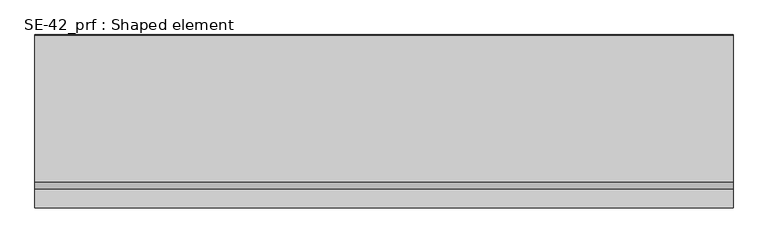
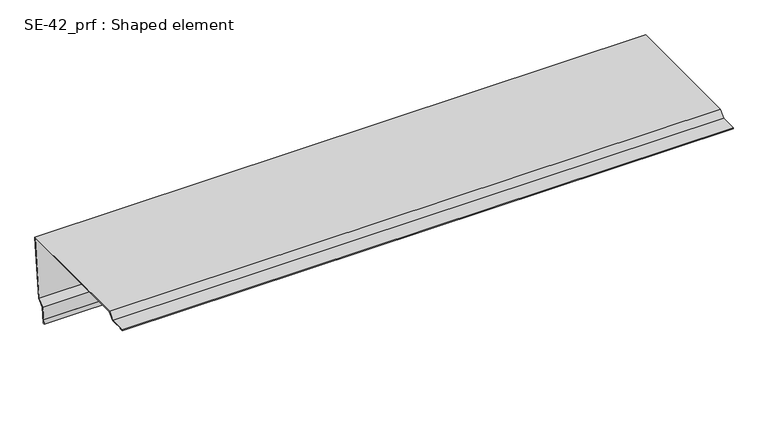
"""IFC4 building model written with IfcOpenShell, lengths in millimetres: proxy geometry, SE-42_prf : Shaped element."""

import ifcopenshell
import ifcopenshell.guid

model = None  # the IFC model being written
_history = None  # IfcOwnerHistory: only IFC2X3 demands one
_inside = {}  # id of a spatial element -> (the spatial element, [elements in it])
_under = {}  # id of a project, library or spatial element -> (it, [spatial elements below it])
_declared = {}  # id of a project -> (the project, [libraries it declares])
_typed = {}  # id of a type object -> (the type object, [elements of that type])
_made_of = {}  # id of a material, layer set ... -> (it, [elements and type objects made of it])


def new_model(schema):
    """Start an empty IFC model of exactly this schema.

    Asked for "IFC4X3", IfcOpenShell would pick the latest addendum, in which some entities
    have other attributes; the version numbers below select the first issue.
    IFC2X3 requires an IfcOwnerHistory on every rooted entity: one is made here for all.
    """
    global model, _history
    if schema == "IFC4X3":
        model = ifcopenshell.file(schema_version=(4, 3, 0, 0))
    else:
        model = ifcopenshell.file(schema=schema)
    _inside.clear()
    _under.clear()
    _declared.clear()
    _typed.clear()
    _made_of.clear()
    _history = None
    if model.schema == "IFC2X3":
        org = make("IfcOrganization", Name="unknown")
        user = make(
            "IfcPersonAndOrganization",
            ThePerson=make("IfcPerson", FamilyName="unknown"),
            TheOrganization=org,
        )
        app = make(
            "IfcApplication",
            ApplicationDeveloper=org,
            Version="unknown",
            ApplicationFullName="unknown",
            ApplicationIdentifier="unknown",
        )
        _history = make(
            "IfcOwnerHistory",
            OwningUser=user,
            OwningApplication=app,
            ChangeAction="ADDED",
            CreationDate=0,
        )
    return model


def make(cls, **values):
    """One entity of the class cls with the attributes given. An attribute that is None is left unset."""
    return model.create_entity(
        cls, **{name: value for name, value in values.items() if value is not None}
    )


def rooted(cls, **values):
    """An entity with a GlobalId (a new one), such as an element, a storey or a relation."""
    return make(cls, GlobalId=ifcopenshell.guid.new(), OwnerHistory=_history, **values)


def si_unit(unit_type, name, prefix=None):
    """IfcSIUnit, for example si_unit("LENGTHUNIT", "METRE", prefix="MILLI")."""
    return make("IfcSIUnit", UnitType=unit_type, Prefix=prefix, Name=name)


def assignment(units):
    """IfcUnitAssignment: the units of a project."""
    return None if units is None else make("IfcUnitAssignment", Units=units)


def point(xyz):
    """IfcCartesianPoint."""
    return None if xyz is None else make("IfcCartesianPoint", Coordinates=xyz)


def direction(xyz):
    """IfcDirection."""
    return None if xyz is None else make("IfcDirection", DirectionRatios=xyz)


def frame(location, z_axis=None, x_axis=None):
    """IfcAxis2Placement3D, a coordinate frame: its origin and axes. An axis left out is left unset."""
    return make(
        "IfcAxis2Placement3D",
        Location=point(location),
        Axis=direction(z_axis),
        RefDirection=direction(x_axis),
    )


def origin():
    """The frame at (0, 0, 0) with its axes left unset."""
    return frame((0.0, 0.0, 0.0))


def place(relative_to, where):
    """IfcLocalPlacement: puts the frame where relative to a parent placement (None: the world)."""
    return make(
        "IfcLocalPlacement", PlacementRelTo=relative_to, RelativePlacement=where
    )


def context(
    kind, dimensions, precision=None, world=None, true_north=None, identifier=None
):
    """IfcGeometricRepresentationContext, for example the 3D "Model" context."""
    return make(
        "IfcGeometricRepresentationContext",
        ContextIdentifier=identifier,
        ContextType=kind,
        CoordinateSpaceDimension=dimensions,
        Precision=precision,
        WorldCoordinateSystem=world,
        TrueNorth=true_north,
    )


def project(units=None, contexts=None):
    """IfcProject with its units and contexts."""
    return rooted(
        "IfcProject",
        Name="project",
        RepresentationContexts=contexts,
        UnitsInContext=assignment(units),
    )


def spatial(cls, under=None, at=None, **own):
    """A site, building, storey or space (cls), placed at a placement, below another one or the project."""
    s = rooted(cls, ObjectPlacement=at, **own)
    if under is not None:
        _under.setdefault(under.id(), (under, []))[1].append(s)
    return s


def faces_of(points, faces, orient=None, outer=None):
    """IfcFace entities. A face is a list of loops; a loop is a list of indices into points, from 0.

    orient and outer hold one flag for each loop. By default every Orientation is true, the
    first loop of a face is its IfcFaceOuterBound and the others are IfcFaceBound.
    """
    made = []
    for i, loops in enumerate(faces):
        bounds = []
        for j, loop in enumerate(loops):
            is_outer = j == 0 if outer is None else outer[i][j]
            bounds.append(
                make(
                    "IfcFaceOuterBound" if is_outer else "IfcFaceBound",
                    Bound=make("IfcPolyLoop", Polygon=[points[k] for k in loop]),
                    Orientation=True if orient is None else orient[i][j],
                )
            )
        made.append(make("IfcFace", Bounds=bounds))
    return made


def faceted_brep(points, faces, orient=None, outer=None, voids=None):
    """IfcFacetedBrep: a solid bounded by flat faces; with voids (closed shells), ...WithVoids."""
    shared = [point(p) for p in points]
    hull = make("IfcClosedShell", CfsFaces=faces_of(shared, faces, orient, outer))
    if voids is None:
        return make("IfcFacetedBrep", Outer=hull)
    return make(
        "IfcFacetedBrepWithVoids",
        Outer=hull,
        Voids=[
            make(cls, CfsFaces=faces_of(shared, fs, o, b)) for cls, fs, o, b in voids
        ],
    )


def shape(context_of_items, identifier, shape_type, items):
    """IfcShapeRepresentation: the items that make up one representation, for example the "Body"."""
    return make(
        "IfcShapeRepresentation",
        ContextOfItems=context_of_items,
        RepresentationIdentifier=identifier,
        RepresentationType=shape_type,
        Items=items,
    )


def source(mapping_origin, context_of_items, identifier, shape_type, items):
    """IfcRepresentationMap: a shape defined once, which mapped items show again and again."""
    return make(
        "IfcRepresentationMap",
        MappingOrigin=mapping_origin,
        MappedRepresentation=shape(context_of_items, identifier, shape_type, items),
    )


def transform(
    local_origin,
    x_axis=None,
    y_axis=None,
    z_axis=None,
    scale=None,
    scale2=None,
    scale3=None,
    uniform=True,
):
    """IfcCartesianTransformationOperator3D, or its non-uniform kind. x_axis, y_axis, z_axis: its Axis1, 2, 3."""
    if uniform:
        return make(
            "IfcCartesianTransformationOperator3D",
            Axis1=direction(x_axis),
            Axis2=direction(y_axis),
            LocalOrigin=point(local_origin),
            Scale=scale,
            Axis3=direction(z_axis),
        )
    return make(
        "IfcCartesianTransformationOperator3DnonUniform",
        Axis1=direction(x_axis),
        Axis2=direction(y_axis),
        LocalOrigin=point(local_origin),
        Scale=scale,
        Axis3=direction(z_axis),
        Scale2=scale2,
        Scale3=scale3,
    )


def mapped(mapping_source, mapping_target):
    """IfcMappedItem: shows the shape of a source again, moved by a transform."""
    return make(
        "IfcMappedItem", MappingSource=mapping_source, MappingTarget=mapping_target
    )


def made_of(thing, what):
    """Note that an element or type object is made of a material, layer set ...; save() writes the relation."""
    if what is not None:
        _made_of.setdefault(what.id(), (what, []))[1].append(thing)
    return thing


def element(
    cls,
    number,
    at=None,
    inside=None,
    cuts=None,
    type_object=None,
    material=None,
    context=None,
    identifier="Body",
    shape_type=None,
    held_by="IfcProductDefinitionShape",
    body=None,
    shapes=None,
    **own,
):
    """One element of the class cls, such as IfcWall. Its Tag is "e" and its number.

    at: its placement. inside: the storey or other place that contains it. cuts: it is an
    opening in that element (IfcRelVoidsElement). A single representation is given by context,
    identifier, shape_type and body (its items); several are given by shapes. held_by: the class
    of the entity that holds the representations. save() writes the other relations.
    """
    e = rooted(cls, Tag="e%d" % number, ObjectPlacement=at, **own)
    if body is not None:
        shapes = [shape(context, identifier, shape_type, body)]
    if shapes is not None:
        e.Representation = make(held_by, Representations=shapes)
    if inside is not None:
        _inside.setdefault(inside.id(), (inside, []))[1].append(e)
    if cuts is not None:
        rooted(
            "IfcRelVoidsElement", RelatingBuildingElement=cuts, RelatedOpeningElement=e
        )
    if type_object is not None:
        _typed.setdefault(type_object.id(), (type_object, []))[1].append(e)
    return made_of(e, material)


def aggregate(whole, parts):
    """IfcRelAggregates: a whole, such as a stair, and the parts it consists of."""
    return rooted("IfcRelAggregates", RelatingObject=whole, RelatedObjects=parts)


def save(model, path):
    """Write the relations noted so far, then the file.

    IfcRelAggregates (storeys below a building ...), IfcRelContainedInSpatialStructure (elements
    in a storey), IfcRelDefinesByType, IfcRelAssociatesMaterial and IfcRelDeclares: one each for
    every whole, place, type object, material and project.
    """
    for whole, parts in _under.values():
        aggregate(whole, parts)
    for where, things in _inside.values():
        rooted(
            "IfcRelContainedInSpatialStructure",
            RelatedElements=things,
            RelatingStructure=where,
        )
    for kind, things in _typed.values():
        rooted("IfcRelDefinesByType", RelatedObjects=things, RelatingType=kind)
    for what, things in _made_of.values():
        rooted("IfcRelAssociatesMaterial", RelatedObjects=things, RelatingMaterial=what)
    for by, libraries in _declared.values():
        rooted("IfcRelDeclares", RelatingContext=by, RelatedDefinitions=libraries)
    model.write(path)


def se_42_prf_shaped_element_d27f8cea(model_context):
    return source(origin(), model_context, "Body", "Brep", [
        faceted_brep([(0.0, 226.0317771, -182.3256459), (0.0, 230.2129156, -142.5447701), (1500.0, 230.2129156, -142.5447701), (1500.0, 226.0317771, -182.3256459), (0.0, 246.5329808, -129.3290419), (1500.0, 246.5329808, -129.3290419), (0.0, 260.1260109, 0.0), (0.0, 262.2122503, 19.8492424), (1500.0, 262.2122503, 19.8492424), (1500.0, 260.1260109, 0.0), (0.0, 259.1205026, 0.0), (0.0, 261.1016378, 18.8492424), (0.0, -54.736544, 18.8492424), (0.0, -69.5857864, 4.0), (0.0, -109.0, 4.0), (0.0, -109.0, 3.0), (0.0, -100.0, 3.0), (0.0, -100.0, 2.0), (0.0, -110.0, 2.0), (0.0, -110.0, 5.0), (0.0, -70.0, 5.0), (0.0, -55.1507576, 19.8492424), (0.0, 223.0482114, -182.0120605), (0.0, 224.084351, -172.153851), (0.0, 225.0788729, -172.2583794), (0.0, 224.1472618, -181.1220671), (0.0, 225.1417837, -181.2265956), (0.0, 229.2616908, -142.0282972), (0.0, 245.581756, -128.812569), (1500.0, 259.1205026, 0.0), (1500.0, -55.1507576, 19.8492424), (1500.0, -70.0, 5.0), (1500.0, -110.0, 5.0), (1500.0, -110.0, 2.0), (1500.0, -100.0, 2.0), (1500.0, -100.0, 3.0), (1500.0, -109.0, 3.0), (1500.0, -109.0, 4.0), (1500.0, -69.5857864, 4.0), (1500.0, -54.736544, 18.8492424), (1500.0, 261.1016378, 18.8492424), (1500.0, 223.0482114, -182.0120605), (1500.0, 224.084351, -172.153851), (1500.0, 225.0788729, -172.2583794), (1500.0, 245.581756, -128.812569), (1500.0, 229.2616908, -142.0282972), (1500.0, 225.1417837, -181.2265956), (1500.0, 224.1472618, -181.1220671)], [[[0, 1, 2, 3]], [[1, 4, 5, 2]], [[6, 7, 8, 9, 5, 4]], [[6, 10, 11, 12, 13, 14, 15, 16, 17, 18, 19, 20, 21, 7]], [[10, 6, 4, 1, 0, 22, 23, 24, 25, 26, 27, 28]], [[29, 9, 8, 30, 31, 32, 33, 34, 35, 36, 37, 38, 39, 40]], [[23, 22, 41, 42]], [[16, 15, 36, 35]], [[24, 23, 42, 43]], [[12, 11, 40, 39]], [[11, 10, 28, 44, 29, 40]], [[28, 27, 45, 44]], [[27, 26, 46, 45]], [[26, 25, 47, 46]], [[25, 24, 43, 47]], [[17, 16, 35, 34]], [[13, 12, 39, 38]], [[14, 13, 38, 37]], [[15, 14, 37, 36]], [[22, 0, 3, 41]], [[18, 17, 34, 33]], [[19, 18, 33, 32]], [[20, 19, 32, 31]], [[21, 20, 31, 30]], [[7, 21, 30, 8]], [[9, 29, 44, 45, 46, 47, 43, 42, 41, 3, 2, 5]]]),
    ])


if __name__ == "__main__":
    model = new_model("IFC4")
    model_context = context("Model", 3, world=origin())
    ifc_project = project(units=[si_unit("LENGTHUNIT", "METRE", prefix="MILLI")], contexts=[model_context])
    site = spatial("IfcSite", under=ifc_project)
    building = spatial("IfcBuilding", under=site)
    placement = place(None, origin())
    se_42_prf_shaped_element_shape = se_42_prf_shaped_element_d27f8cea(model_context)
    element("IfcBuildingElementProxy", 1, Name="SE-42_prf : Shaped element", ObjectType="SE-42_prf : Shaped element", at=placement, inside=building, context=model_context, shape_type="MappedRepresentation", body=[
        mapped(se_42_prf_shaped_element_shape, transform((0.0, 0.0, 0.0), x_axis=(1.0, 0.0, 0.0), y_axis=(0.0, 1.0, 0.0), z_axis=(0.0, 0.0, 1.0))),
    ])
    save(model, "model.ifc")
